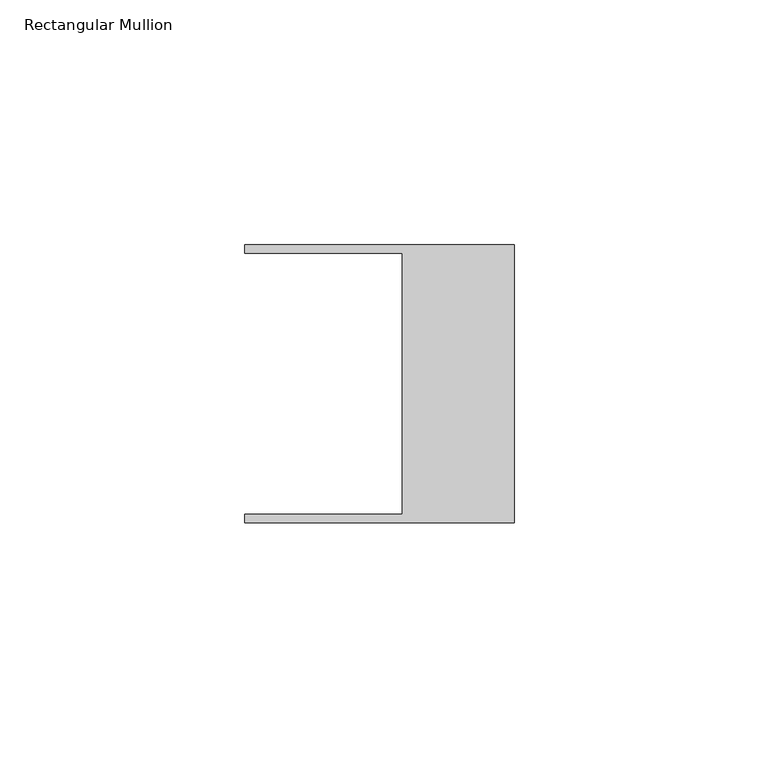
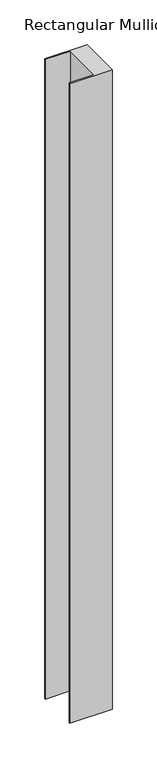
"""IFC4 building model written with IfcOpenShell, lengths in millimetres: member geometry, Rectangular Mullion."""

from ifc_helpers import new_model, si_unit, frame, origin, place, context, project, spatial, polyline, outline, extrude, source, transform, mapped, element, save


def rectangular_mullion_b1ea17ec(model_context):
    return source(origin(), model_context, "Body", "SweptSolid", [
        extrude(outline(polyline([(-55.118, -26.67), (-22.86, -26.67), (-22.86, 26.67), (-55.118, 26.67), (-55.118, 28.448), (0.0, 28.448), (0.0, -28.448), (-55.118, -28.448), (-55.118, -26.67)])), frame((0.0, 0.0, -877.2271), z_axis=(0.0, 0.0, 1.0), x_axis=(1.0, 0.0, 0.0)), (0.0, 0.0, 1.0), 877.2271),
    ])


if __name__ == "__main__":
    model = new_model("IFC4")
    model_context = context("Model", 3, world=origin())
    ifc_project = project(units=[si_unit("LENGTHUNIT", "METRE", prefix="MILLI")], contexts=[model_context])
    site = spatial("IfcSite", under=ifc_project)
    building = spatial("IfcBuilding", under=site)
    placement = place(None, origin())
    rectangular_mullion_shape = rectangular_mullion_b1ea17ec(model_context)
    element("IfcMember", 1, ObjectType="Rectangular Mullion", at=placement, inside=building, context=model_context, shape_type="MappedRepresentation", body=[
        mapped(rectangular_mullion_shape, transform((0.0, 0.0, 0.0), x_axis=(1.0, 0.0, 0.0), y_axis=(0.0, 1.0, 0.0), z_axis=(0.0, 0.0, 1.0))),
    ])
    save(model, "model.ifc")
